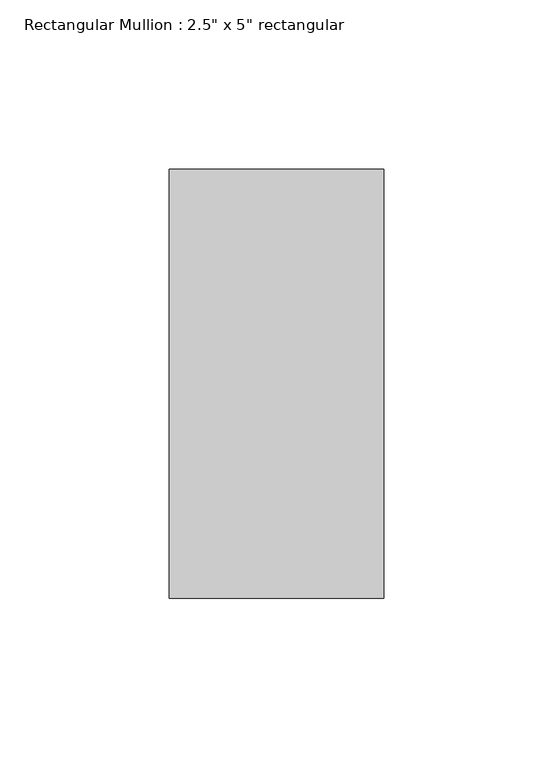
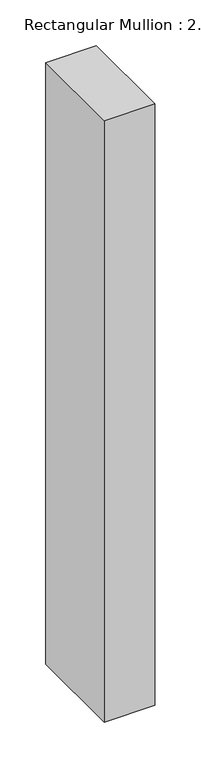
"""IFC4 building model written with IfcOpenShell, lengths in millimetres: member geometry."""

from ifc_helpers import new_model, si_unit, frame, origin, place, context, project, spatial, polyline, outline, extrude, source, transform, mapped, element, save


def member_aa4a6702(model_context):
    return source(origin(), model_context, "Body", "SweptSolid", [
        extrude(outline(polyline([(31.75, 63.5), (31.75, -63.5), (-31.75, -63.5), (-31.75, 63.5), (31.75, 63.5)])), frame((0.0, 0.0, -800.0), z_axis=(0.0, 0.0, 1.0), x_axis=(1.0, 0.0, 0.0)), (0.0, 0.0, 1.0), 800.0),
    ])


if __name__ == "__main__":
    model = new_model("IFC4")
    model_context = context("Model", 3, world=origin())
    ifc_project = project(units=[si_unit("LENGTHUNIT", "METRE", prefix="MILLI")], contexts=[model_context])
    site = spatial("IfcSite", under=ifc_project)
    building = spatial("IfcBuilding", under=site)
    placement = place(None, origin())
    member_shape = member_aa4a6702(model_context)
    element("IfcMember", 1, ObjectType="Rectangular Mullion : 2.5\" x 5\" rectangular", at=placement, inside=building, context=model_context, shape_type="MappedRepresentation", body=[
        mapped(member_shape, transform((0.0, 0.0, 0.0), x_axis=(1.0, 0.0, 0.0), y_axis=(0.0, 1.0, 0.0), z_axis=(0.0, 0.0, 1.0))),
    ])
    save(model, "model.ifc")
